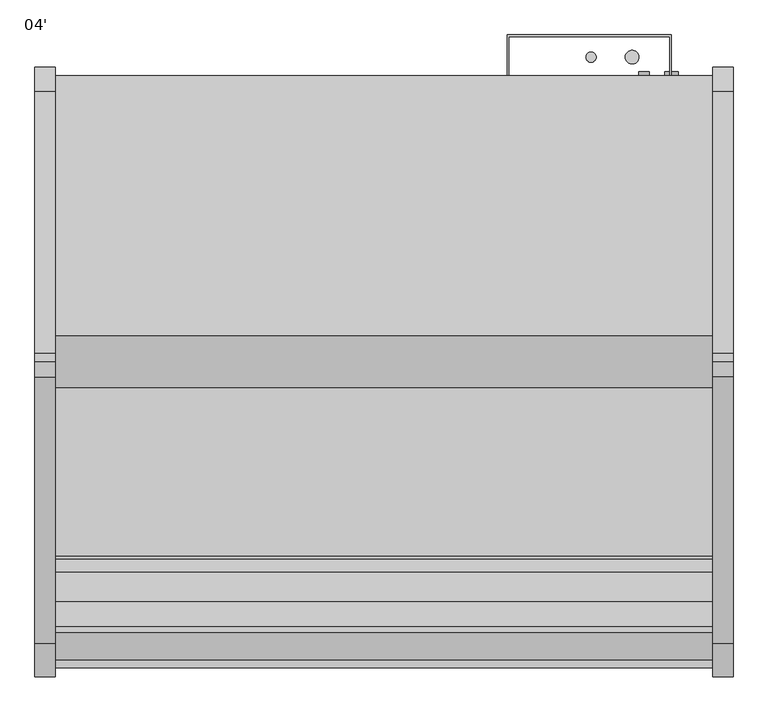
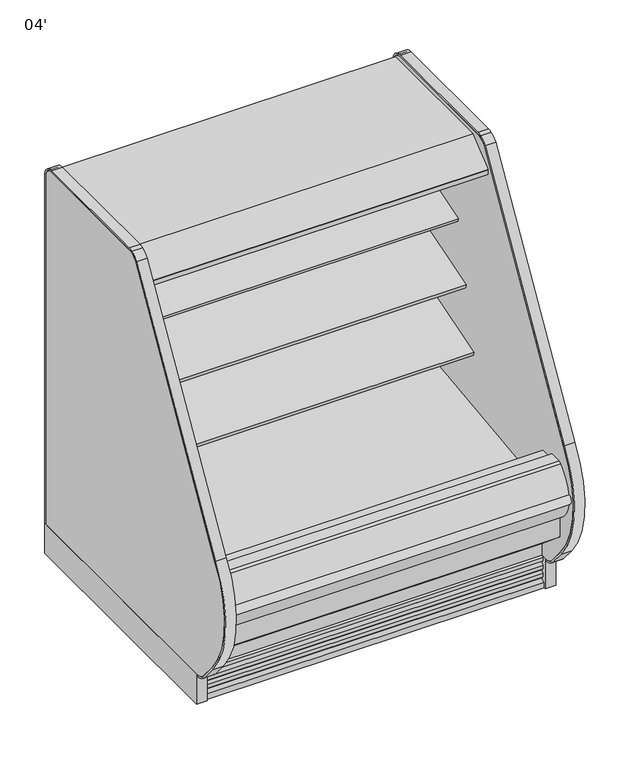
"""IFC4 building model written with IfcOpenShell, lengths in millimetres: proxy geometry, 04'."""

import ifcopenshell
import ifcopenshell.guid

model = None  # the IFC model being written
_history = None  # IfcOwnerHistory: only IFC2X3 demands one
_inside = {}  # id of a spatial element -> (the spatial element, [elements in it])
_under = {}  # id of a project, library or spatial element -> (it, [spatial elements below it])
_declared = {}  # id of a project -> (the project, [libraries it declares])
_typed = {}  # id of a type object -> (the type object, [elements of that type])
_made_of = {}  # id of a material, layer set ... -> (it, [elements and type objects made of it])


def new_model(schema):
    """Start an empty IFC model of exactly this schema.

    Asked for "IFC4X3", IfcOpenShell would pick the latest addendum, in which some entities
    have other attributes; the version numbers below select the first issue.
    IFC2X3 requires an IfcOwnerHistory on every rooted entity: one is made here for all.
    """
    global model, _history
    if schema == "IFC4X3":
        model = ifcopenshell.file(schema_version=(4, 3, 0, 0))
    else:
        model = ifcopenshell.file(schema=schema)
    _inside.clear()
    _under.clear()
    _declared.clear()
    _typed.clear()
    _made_of.clear()
    _history = None
    if model.schema == "IFC2X3":
        org = make("IfcOrganization", Name="unknown")
        user = make(
            "IfcPersonAndOrganization",
            ThePerson=make("IfcPerson", FamilyName="unknown"),
            TheOrganization=org,
        )
        app = make(
            "IfcApplication",
            ApplicationDeveloper=org,
            Version="unknown",
            ApplicationFullName="unknown",
            ApplicationIdentifier="unknown",
        )
        _history = make(
            "IfcOwnerHistory",
            OwningUser=user,
            OwningApplication=app,
            ChangeAction="ADDED",
            CreationDate=0,
        )
    return model


def make(cls, **values):
    """One entity of the class cls with the attributes given. An attribute that is None is left unset."""
    return model.create_entity(
        cls, **{name: value for name, value in values.items() if value is not None}
    )


def rooted(cls, **values):
    """An entity with a GlobalId (a new one), such as an element, a storey or a relation."""
    return make(cls, GlobalId=ifcopenshell.guid.new(), OwnerHistory=_history, **values)


def si_unit(unit_type, name, prefix=None):
    """IfcSIUnit, for example si_unit("LENGTHUNIT", "METRE", prefix="MILLI")."""
    return make("IfcSIUnit", UnitType=unit_type, Prefix=prefix, Name=name)


def assignment(units):
    """IfcUnitAssignment: the units of a project."""
    return None if units is None else make("IfcUnitAssignment", Units=units)


def point(xyz):
    """IfcCartesianPoint."""
    return None if xyz is None else make("IfcCartesianPoint", Coordinates=xyz)


def direction(xyz):
    """IfcDirection."""
    return None if xyz is None else make("IfcDirection", DirectionRatios=xyz)


def frame(location, z_axis=None, x_axis=None):
    """IfcAxis2Placement3D, a coordinate frame: its origin and axes. An axis left out is left unset."""
    return make(
        "IfcAxis2Placement3D",
        Location=point(location),
        Axis=direction(z_axis),
        RefDirection=direction(x_axis),
    )


def frame_2d(location, x_axis=None):
    """IfcAxis2Placement2D, a coordinate frame in the plane: its origin and x axis."""
    return make(
        "IfcAxis2Placement2D", Location=point(location), RefDirection=direction(x_axis)
    )


def origin():
    """The frame at (0, 0, 0) with its axes left unset."""
    return frame((0.0, 0.0, 0.0))


def origin_with_axes():
    """The frame at (0, 0, 0) with the z axis (0, 0, 1) and the x axis (1, 0, 0) written out."""
    return frame((0.0, 0.0, 0.0), z_axis=(0.0, 0.0, 1.0), x_axis=(1.0, 0.0, 0.0))


def place(relative_to, where):
    """IfcLocalPlacement: puts the frame where relative to a parent placement (None: the world)."""
    return make(
        "IfcLocalPlacement", PlacementRelTo=relative_to, RelativePlacement=where
    )


def context(
    kind, dimensions, precision=None, world=None, true_north=None, identifier=None
):
    """IfcGeometricRepresentationContext, for example the 3D "Model" context."""
    return make(
        "IfcGeometricRepresentationContext",
        ContextIdentifier=identifier,
        ContextType=kind,
        CoordinateSpaceDimension=dimensions,
        Precision=precision,
        WorldCoordinateSystem=world,
        TrueNorth=true_north,
    )


def project(units=None, contexts=None):
    """IfcProject with its units and contexts."""
    return rooted(
        "IfcProject",
        Name="project",
        RepresentationContexts=contexts,
        UnitsInContext=assignment(units),
    )


def spatial(cls, under=None, at=None, **own):
    """A site, building, storey or space (cls), placed at a placement, below another one or the project."""
    s = rooted(cls, ObjectPlacement=at, **own)
    if under is not None:
        _under.setdefault(under.id(), (under, []))[1].append(s)
    return s


def polyline(points):
    """IfcPolyline through the points."""
    return make("IfcPolyline", Points=[point(p) for p in points])


def circle_curve(where, radius):
    """IfcCircle in the frame where."""
    return make("IfcCircle", Position=where, Radius=radius)


def trimmed(basis, trim1, trim2, sense, master):
    """IfcTrimmedCurve: the piece of a basis curve between two trims."""
    return make(
        "IfcTrimmedCurve",
        BasisCurve=basis,
        Trim1=trim1,
        Trim2=trim2,
        SenseAgreement=sense,
        MasterRepresentation=master,
    )


def segment(curve, same_sense, transition):
    """IfcCompositeCurveSegment."""
    return make(
        "IfcCompositeCurveSegment",
        Transition=transition,
        SameSense=same_sense,
        ParentCurve=curve,
    )


def composite_curve(segments, self_intersect=None):
    """IfcCompositeCurve: segments joined end to end."""
    return make("IfcCompositeCurve", Segments=segments, SelfIntersect=self_intersect)


def outline(outer, holes=None, kind="AREA"):
    """IfcArbitraryClosedProfileDef: a profile drawn as a closed curve; with holes, ...WithVoids."""
    if holes is None:
        return make("IfcArbitraryClosedProfileDef", ProfileType=kind, OuterCurve=outer)
    return make(
        "IfcArbitraryProfileDefWithVoids",
        ProfileType=kind,
        OuterCurve=outer,
        InnerCurves=holes,
    )


def extrude(swept, where, along, depth):
    """IfcExtrudedAreaSolid: the profile swept, set in the frame where, extruded along a direction by depth."""
    return make(
        "IfcExtrudedAreaSolid",
        SweptArea=swept,
        Position=where,
        ExtrudedDirection=direction(along),
        Depth=depth,
    )


def shape(context_of_items, identifier, shape_type, items):
    """IfcShapeRepresentation: the items that make up one representation, for example the "Body"."""
    return make(
        "IfcShapeRepresentation",
        ContextOfItems=context_of_items,
        RepresentationIdentifier=identifier,
        RepresentationType=shape_type,
        Items=items,
    )


def source(mapping_origin, context_of_items, identifier, shape_type, items):
    """IfcRepresentationMap: a shape defined once, which mapped items show again and again."""
    return make(
        "IfcRepresentationMap",
        MappingOrigin=mapping_origin,
        MappedRepresentation=shape(context_of_items, identifier, shape_type, items),
    )


def transform(
    local_origin,
    x_axis=None,
    y_axis=None,
    z_axis=None,
    scale=None,
    scale2=None,
    scale3=None,
    uniform=True,
):
    """IfcCartesianTransformationOperator3D, or its non-uniform kind. x_axis, y_axis, z_axis: its Axis1, 2, 3."""
    if uniform:
        return make(
            "IfcCartesianTransformationOperator3D",
            Axis1=direction(x_axis),
            Axis2=direction(y_axis),
            LocalOrigin=point(local_origin),
            Scale=scale,
            Axis3=direction(z_axis),
        )
    return make(
        "IfcCartesianTransformationOperator3DnonUniform",
        Axis1=direction(x_axis),
        Axis2=direction(y_axis),
        LocalOrigin=point(local_origin),
        Scale=scale,
        Axis3=direction(z_axis),
        Scale2=scale2,
        Scale3=scale3,
    )


def mapped(mapping_source, mapping_target):
    """IfcMappedItem: shows the shape of a source again, moved by a transform."""
    return make(
        "IfcMappedItem", MappingSource=mapping_source, MappingTarget=mapping_target
    )


def made_of(thing, what):
    """Note that an element or type object is made of a material, layer set ...; save() writes the relation."""
    if what is not None:
        _made_of.setdefault(what.id(), (what, []))[1].append(thing)
    return thing


def element(
    cls,
    number,
    at=None,
    inside=None,
    cuts=None,
    type_object=None,
    material=None,
    context=None,
    identifier="Body",
    shape_type=None,
    held_by="IfcProductDefinitionShape",
    body=None,
    shapes=None,
    **own,
):
    """One element of the class cls, such as IfcWall. Its Tag is "e" and its number.

    at: its placement. inside: the storey or other place that contains it. cuts: it is an
    opening in that element (IfcRelVoidsElement). A single representation is given by context,
    identifier, shape_type and body (its items); several are given by shapes. held_by: the class
    of the entity that holds the representations. save() writes the other relations.
    """
    e = rooted(cls, Tag="e%d" % number, ObjectPlacement=at, **own)
    if body is not None:
        shapes = [shape(context, identifier, shape_type, body)]
    if shapes is not None:
        e.Representation = make(held_by, Representations=shapes)
    if inside is not None:
        _inside.setdefault(inside.id(), (inside, []))[1].append(e)
    if cuts is not None:
        rooted(
            "IfcRelVoidsElement", RelatingBuildingElement=cuts, RelatedOpeningElement=e
        )
    if type_object is not None:
        _typed.setdefault(type_object.id(), (type_object, []))[1].append(e)
    return made_of(e, material)


def aggregate(whole, parts):
    """IfcRelAggregates: a whole, such as a stair, and the parts it consists of."""
    return rooted("IfcRelAggregates", RelatingObject=whole, RelatedObjects=parts)


def save(model, path):
    """Write the relations noted so far, then the file.

    IfcRelAggregates (storeys below a building ...), IfcRelContainedInSpatialStructure (elements
    in a storey), IfcRelDefinesByType, IfcRelAssociatesMaterial and IfcRelDeclares: one each for
    every whole, place, type object, material and project.
    """
    for whole, parts in _under.values():
        aggregate(whole, parts)
    for where, things in _inside.values():
        rooted(
            "IfcRelContainedInSpatialStructure",
            RelatedElements=things,
            RelatingStructure=where,
        )
    for kind, things in _typed.values():
        rooted("IfcRelDefinesByType", RelatedObjects=things, RelatingType=kind)
    for what, things in _made_of.values():
        rooted("IfcRelAssociatesMaterial", RelatedObjects=things, RelatingMaterial=what)
    for by, libraries in _declared.values():
        rooted("IfcRelDeclares", RelatingContext=by, RelatedDefinitions=libraries)
    model.write(path)


def plane_surface(at):
    """IfcPlane: the flat surface through the origin of the frame at, square to its z axis."""
    return make("IfcPlane", Position=at)


def cylinder_surface(at, radius):
    """IfcCylindricalSurface: all points at the distance radius from the z axis of the frame at."""
    return make("IfcCylindricalSurface", Position=at, Radius=radius)


def revolved_surface(curve, axis_point, axis_direction):
    """IfcSurfaceOfRevolution: the curve turned about the line through axis_point along axis_direction."""
    return make(
        "IfcSurfaceOfRevolution",
        SweptCurve=make("IfcArbitraryOpenProfileDef", ProfileType="CURVE", Curve=curve),
        AxisPosition=make("IfcAxis1Placement", Location=point(axis_point), Axis=direction(axis_direction)),
    )


def advanced_brep(points, edges, surfaces, faces):
    """IfcAdvancedBrep: a solid bounded by faces that lie on surfaces and meet in shared edges.

    An edge is (start, end): straight between two places in points (the first is 0);
    or (start, end, curve); or (start, end, curve, False) where it runs against its curve.
    A face is (place in surfaces, loops), or (place, loops, False) where it looks against
    its surface's normal. A loop lists edges by number (the first is 1), with a minus sign
    where the edge is run from its end to its start. The first loop is the outer one.
    """
    corners = [point(p) for p in points]
    vertices = [make("IfcVertexPoint", VertexGeometry=c) for c in corners]
    made = []
    for start, end, *more in edges:
        made.append(
            make(
                "IfcEdgeCurve",
                EdgeStart=vertices[start],
                EdgeEnd=vertices[end],
                EdgeGeometry=more[0] if more else make("IfcPolyline", Points=[corners[start], corners[end]]),
                SameSense=more[1] if len(more) > 1 else True,
            )
        )
    hull = []
    for where, loops, *sense in faces:
        bounds = []
        for j, loop in enumerate(loops):
            ring = [make("IfcOrientedEdge", EdgeElement=made[abs(k) - 1], Orientation=k > 0) for k in loop]
            bounds.append(
                make(
                    "IfcFaceOuterBound" if j == 0 else "IfcFaceBound",
                    Bound=make("IfcEdgeLoop", EdgeList=ring),
                    Orientation=True,
                )
            )
        hull.append(make("IfcAdvancedFace", Bounds=bounds, FaceSurface=surfaces[where], SameSense=sense[0] if sense else True))
    return make("IfcAdvancedBrep", Outer=make("IfcClosedShell", CfsFaces=hull))


def proxy_04_cbc6609a(model_context):
    return source(origin(), model_context, "Body", "SolidModel", [
        extrude(outline(composite_curve([segment(polyline([(-514.4888601, 1379.0768001), (-504.7813461, 1382.0750951), (-504.5146416, 1381.2115916), (-503.4474703, 1381.2115916), (-503.4474703, 1287.4472598), (-528.7426845, 1283.8944637)]), True, "CONTINUOUS"), segment(trimmed(circle_curve(frame_2d((-528.8825674, 1285.4681389)), 1.57988), [point((-528.7426845, 1283.8944637))], [point((-530.4470722, 1285.2482621))], False, "CARTESIAN"), True, "CONTINUOUS"), segment(polyline([(-530.4470722, 1285.2482621), (-531.3318818, 1291.5440101), (-530.5471142, 1291.654302), (-529.5527196, 1284.5788169), (-505.9719612, 1287.8928764), (-520.0679999, 1388.1914034), (-542.8285813, 1385.1690478)]), True, "CONTINUOUS"), segment(trimmed(circle_curve(frame_2d((-542.7249331, 1384.3884994)), 0.7874), [point((-542.8285813, 1385.1690478))], [point((-543.5054815, 1384.2848511))], True, "CARTESIAN"), True, "CONTINUOUS"), segment(polyline([(-543.5054815, 1384.2848511), (-542.4823725, 1376.580081), (-543.2629211, 1376.4764348), (-544.2860298, 1384.1812028)]), True, "CONTINUOUS"), segment(trimmed(circle_curve(frame_2d((-542.7249331, 1384.3884994)), 1.5748), [point((-544.2860298, 1384.1812028))], [point((-542.9322296, 1385.9495962))], False, "CARTESIAN"), True, "CONTINUOUS"), segment(polyline([(-542.9322296, 1385.9495962), (-518.9678184, 1389.1318072)]), True, "CONTINUOUS"), segment(trimmed(circle_curve(frame_2d((-518.7605219, 1387.5707104)), 1.5748), [point((-518.9678184, 1389.1318072))], [point((-517.2558572, 1388.0354462))], False, "CARTESIAN"), True, "CONTINUOUS"), segment(polyline([(-517.2558572, 1388.0354462), (-514.4888601, 1379.0768001)]), True, "CONTINUOUS")], self_intersect=False)), frame((0.0, 0.0, 0.0), z_axis=(1.0, 0.0, 0.0), x_axis=(0.0, 1.0, 0.0)), (0.0, 0.0, 1.0), 1219.2),
        extrude(outline(polyline([(-401.512379, 1460.3537164), (-401.512379, 1413.9257811), (-452.2793831, 1413.9257811), (-452.2793831, 1381.2115916), (-768.0396416, 1381.2115916), (-770.1188906, 1387.9435306), (-774.9133368, 1386.4627021), (-798.9833769, 1415.1482588), (-905.7516947, 1415.1482588), (-906.5898947, 1414.3100588), (-906.5898947, 1403.1848588), (-907.1479843, 1402.0060488), (-951.7858272, 1365.4300488), (-952.7517376, 1365.0848588), (-964.2483607, 1365.0848588), (-964.2483607, 1363.1530833), (-980.1487607, 1363.1530833), (-980.1487607, 1381.4220333), (-979.5555992, 1382.6656223), (-883.6187928, 1460.3537164), (-401.512379, 1460.3537164)])), frame((0.0, 0.0, 0.0), z_axis=(1.0, 0.0, 0.0), x_axis=(0.0, 1.0, 0.0)), (0.0, 0.0, 1.0), 1219.2),
        extrude(outline(composite_curve([segment(polyline([(-505.9719612, 1287.8928764), (-529.5527196, 1284.5788169), (-530.5471142, 1291.654302), (-542.4775484, 1376.5437523), (-543.5054815, 1384.2848511)]), True, "CONTINUOUS"), segment(trimmed(circle_curve(frame_2d((-542.7249331, 1384.3884994)), 0.7874), [point((-543.5054815, 1384.2848511))], [point((-542.8285813, 1385.1690478))], False, "CARTESIAN"), True, "CONTINUOUS"), segment(polyline([(-542.8285813, 1385.1690478), (-520.0679999, 1388.1914034), (-505.9719612, 1287.8928764)]), True, "CONTINUOUS")], self_intersect=False)), frame((0.0, 0.0, 0.0), z_axis=(1.0, 0.0, 0.0), x_axis=(0.0, 1.0, 0.0)), (0.0, 0.0, 1.0), 1219.2),
        extrude(outline(composite_curve([segment(trimmed(circle_curve(frame_2d((-850.5320947, 1392.4692338)), 14.2875), [point((-864.8195947, 1392.4692338))], [point((-836.2445947, 1392.4692338))], False, "CARTESIAN"), True, "CONTINUOUS"), segment(trimmed(circle_curve(frame_2d((-850.5320947, 1392.4692338)), 14.2875), [point((-836.2445947, 1392.4692338))], [point((-864.8195947, 1392.4692338))], False, "CARTESIAN"), True, "CONTINUOUS")], self_intersect=False)), frame((0.0, 0.0, 0.0), z_axis=(1.0, 0.0, 0.0), x_axis=(0.0, 1.0, 0.0)), (0.0, 0.0, 1.0), 1219.2),
        extrude(outline(composite_curve([segment(trimmed(circle_curve(frame_2d((-887.9208947, 1392.4692338)), 14.2875), [point((-902.2083947, 1392.4692338))], [point((-873.6333947, 1392.4692338))], False, "CARTESIAN"), True, "CONTINUOUS"), segment(trimmed(circle_curve(frame_2d((-887.9208947, 1392.4692338)), 14.2875), [point((-873.6333947, 1392.4692338))], [point((-902.2083947, 1392.4692338))], False, "CARTESIAN"), True, "CONTINUOUS")], self_intersect=False)), frame((0.0, 0.0, 0.0), z_axis=(1.0, 0.0, 0.0), x_axis=(0.0, 1.0, 0.0)), (0.0, 0.0, 1.0), 1219.2),
        extrude(outline(composite_curve([segment(trimmed(circle_curve(frame_2d((974.3400636, -979.3589273)), 9.525), [point((964.8150636, -979.3589273))], [point((983.8650636, -979.3589273))], False, "CARTESIAN"), True, "CONTINUOUS"), segment(trimmed(circle_curve(frame_2d((974.3400636, -979.3589273)), 9.525), [point((983.8650636, -979.3589273))], [point((964.8150636, -979.3589273))], False, "CARTESIAN"), True, "CONTINUOUS")], self_intersect=False)), frame((0.0, 0.0, 68.5310382), z_axis=(0.0, 0.0, 1.0), x_axis=(1.0, 0.0, 0.0)), (0.0, 0.0, 1.0), 52.7807458),
        extrude(outline(composite_curve([segment(trimmed(circle_curve(frame_2d((1017.8110784, -979.3589273)), 12.7), [point((1005.1110784, -979.3589273))], [point((1030.5110784, -979.3589273))], False, "CARTESIAN"), True, "CONTINUOUS"), segment(trimmed(circle_curve(frame_2d((1017.8110784, -979.3589273)), 12.7), [point((1030.5110784, -979.3589273))], [point((1005.1110784, -979.3589273))], False, "CARTESIAN"), True, "CONTINUOUS")], self_intersect=False)), frame((0.0, 0.0, 68.5310382), z_axis=(0.0, 0.0, 1.0), x_axis=(1.0, 0.0, 0.0)), (0.0, 0.0, 1.0), 52.7807458),
        extrude(outline(polyline([(0.0, -385.6339273), (0.0, -1335.5812273), (-38.1, -1335.5812273), (-38.1, -385.6339273), (0.0, -385.6339273)])), origin_with_axes(), (0.0, 0.0, 1.0), 114.3),
        extrude(outline(composite_curve([segment(polyline([(-1335.5812273, 114.3), (-1335.5812273, 107.95)]), True, "CONTINUOUS"), segment(trimmed(circle_curve(frame_2d((-1335.5812273, 171.45)), 63.5), [point((-1335.5812273, 107.95))], [point((-1384.2250494, 130.6329868))], False, "CARTESIAN"), True, "CONTINUOUS"), segment(polyline([(-1384.2250494, 130.6329868), (-1436.0410491, 192.3848905)]), True, "CONTINUOUS"), segment(trimmed(circle_curve(frame_2d((-1168.5000273, 416.8784632)), 349.25), [point((-1436.0410491, 192.3848905))], [point((-1454.3903468, 617.483268))], False, "CARTESIAN"), True, "CONTINUOUS"), segment(polyline([(-1454.3903468, 617.483268), (-961.507737, 1459.5627752)]), True, "CONTINUOUS"), segment(trimmed(circle_curve(frame_2d((-906.0843188, 1414.5072746)), 71.4265596), [point((-961.507737, 1459.5627752))], [point((-931.3618944, 1481.3114481))], False, "CARTESIAN"), True, "CONTINUOUS"), segment(trimmed(circle_curve(frame_2d((-915.631216, 1439.73804)), 44.45), [point((-931.3618944, 1481.3114481))], [point((-915.631216, 1484.18804))], False, "CARTESIAN"), True, "CONTINUOUS"), segment(polyline([(-915.631216, 1484.18804), (-430.0839273, 1484.18804)]), True, "CONTINUOUS"), segment(trimmed(circle_curve(frame_2d((-430.0839273, 1439.73804)), 44.45), [point((-430.0839273, 1484.18804))], [point((-385.6339273, 1439.73804))], False, "CARTESIAN"), True, "CONTINUOUS"), segment(polyline([(-385.6339273, 1439.73804), (-385.6339273, 114.3), (-391.9839273, 114.3), (-391.9839273, 1439.73804)]), True, "CONTINUOUS"), segment(trimmed(circle_curve(frame_2d((-430.0839273, 1439.73804)), 38.1), [point((-391.9839273, 1439.73804))], [point((-430.0839273, 1477.83804))], True, "CARTESIAN"), True, "CONTINUOUS"), segment(polyline([(-430.0839273, 1477.83804), (-915.631216, 1477.83804)]), True, "CONTINUOUS"), segment(trimmed(circle_curve(frame_2d((-915.631216, 1439.73804)), 38.1), [point((-915.631216, 1477.83804))], [point((-929.1146546, 1475.3723898))], True, "CARTESIAN"), True, "CONTINUOUS"), segment(trimmed(circle_curve(frame_2d((-906.0843188, 1414.5072746)), 65.0765596), [point((-929.1146546, 1475.3723898))], [point((-954.4987451, 1457.9929266))], True, "CARTESIAN"), True, "CONTINUOUS"), segment(polyline([(-954.4987451, 1457.9929266), (-1449.192341, 613.8359079)]), True, "CONTINUOUS"), segment(trimmed(circle_curve(frame_2d((-1168.5000273, 416.8784632)), 342.9), [point((-1449.192341, 613.8359079))], [point((-1431.1766668, 196.4665918))], True, "CARTESIAN"), True, "CONTINUOUS"), segment(polyline([(-1431.1766668, 196.4665918), (-1379.3606672, 134.7146881)]), True, "CONTINUOUS"), segment(trimmed(circle_curve(frame_2d((-1335.5812273, 171.45)), 57.15), [point((-1379.3606672, 134.7146881))], [point((-1335.5812273, 114.3))], True, "CARTESIAN"), True, "CONTINUOUS")], self_intersect=False)), frame((-38.1, 0.0, 0.0), z_axis=(1.0, 0.0, 0.0), x_axis=(0.0, 1.0, 0.0)), (0.0, 0.0, 1.0), 38.1),
        extrude(outline(composite_curve([segment(trimmed(circle_curve(frame_2d((-1335.5812273, 171.45)), 57.15), [point((-1335.5812273, 114.3))], [point((-1379.3606672, 134.7146881))], False, "CARTESIAN"), True, "CONTINUOUS"), segment(polyline([(-1379.3606672, 134.7146881), (-1431.1766668, 196.4665918)]), True, "CONTINUOUS"), segment(trimmed(circle_curve(frame_2d((-1168.5000273, 416.8784632)), 342.9), [point((-1431.1766668, 196.4665918))], [point((-1449.192341, 613.8359079))], False, "CARTESIAN"), True, "CONTINUOUS"), segment(polyline([(-1449.192341, 613.8359079), (-954.4987451, 1457.9929266)]), True, "CONTINUOUS"), segment(trimmed(circle_curve(frame_2d((-906.0843188, 1414.5072746)), 65.0765596), [point((-954.4987451, 1457.9929266))], [point((-929.1146546, 1475.3723898))], False, "CARTESIAN"), True, "CONTINUOUS"), segment(trimmed(circle_curve(frame_2d((-915.631216, 1439.73804)), 38.1), [point((-929.1146546, 1475.3723898))], [point((-915.631216, 1477.83804))], False, "CARTESIAN"), True, "CONTINUOUS"), segment(polyline([(-915.631216, 1477.83804), (-430.0839273, 1477.83804)]), True, "CONTINUOUS"), segment(trimmed(circle_curve(frame_2d((-430.0839273, 1439.73804)), 38.1), [point((-430.0839273, 1477.83804))], [point((-391.9839273, 1439.73804))], False, "CARTESIAN"), True, "CONTINUOUS"), segment(polyline([(-391.9839273, 1439.73804), (-391.9839273, 114.3), (-1335.5812273, 114.3)]), True, "CONTINUOUS")], self_intersect=False)), frame((-38.1, 0.0, 0.0), z_axis=(1.0, 0.0, 0.0), x_axis=(0.0, 1.0, 0.0)), (0.0, 0.0, 1.0), 38.1),
        advanced_brep(
        [(1219.2, -503.4770145, 962.9449857), (1219.2, -843.5389858, 858.9776075), (1219.2, -839.3802906, 845.3751286), (1219.2, -785.6094334, 861.8145294), (1219.2, -783.1797893, 858.9595892), (1219.2, -595.4632769, 891.5703852), (1219.2, -560.8291108, 887.8925043), (1219.2, -539.533713, 879.2978657), (1219.2, -522.1893768, 878.6915182), (1219.2, -503.4770145, 884.7372079), (0.0, -503.4770145, 962.9449857), (0.0, -503.4770145, 884.7372079), (0.0, -522.1820399, 878.668903), (0.0, -539.533713, 879.2978657), (0.0, -560.8291108, 887.8925043), (0.0, -595.4632769, 891.5703852), (0.0, -783.1797893, 858.9595892), (0.0, -785.6094334, 861.8145294), (0.0, -839.3802906, 845.3751286), (0.0, -843.5389858, 858.9776075)],
        [
            (0, 1),
            (1, 2),
            (2, 3),
            (3, 4),
            (4, 5),
            (5, 6, circle_curve(frame((1219.2, -584.5946142, 829.0074396), z_axis=(-1.0, 0.0, 0.0), x_axis=(0.0, 1.0, 0.0)), 63.5)),
            (6, 7),
            (7, 8, circle_curve(frame((1219.2, -530.0275116, 902.8518916), z_axis=(1.0, 0.0, 0.0), x_axis=(0.0, 1.0, 0.0)), 25.4)),
            (8, 9),
            (9, 0),
            (10, 11),
            (11, 12),
            (12, 13, circle_curve(frame((0.0, -530.0275116, 902.8518916), z_axis=(-1.0, 0.0, 0.0), x_axis=(0.0, 1.0, 0.0)), 25.4)),
            (13, 14),
            (14, 15, circle_curve(frame((0.0, -584.5946142, 829.0074396), z_axis=(1.0, 0.0, 0.0), x_axis=(0.0, 1.0, 0.0)), 63.5)),
            (15, 16),
            (16, 17),
            (17, 18),
            (18, 19),
            (19, 10),
            (0, 10),
            (19, 1),
            (2, 18),
            (17, 3),
            (8, 12),
            (11, 9),
            (16, 4),
            (15, 5),
            (14, 6),
            (13, 7),
        ],
        [
            plane_surface(frame((1219.2, -503.4770145, 962.9449857), z_axis=(1.0, 0.0, 0.0), x_axis=(0.0, -0.9563047559631226, -0.2923717047224518))),
            plane_surface(frame((0.0, -503.4770145, 962.9449857), z_axis=(-1.0, 0.0, 0.0), x_axis=(0.0, 0.9563047559631226, 0.2923717047224518))),
            plane_surface(frame((1219.2, -503.4770145, 962.9449857), z_axis=(0.0, -0.2923717047224518, 0.9563047559631226), x_axis=(-1.0, 0.0, 0.0))),
            plane_surface(frame((1219.2, -839.3802906, 845.3751286), z_axis=(0.0, 0.2923717047224529, -0.9563047559631223), x_axis=(-1.0, 0.0, 0.0))),
            plane_surface(frame((1219.2, -522.1820399, 878.668903), z_axis=(0.0, 0.3085879853198186, -0.9511958028272914), x_axis=(-1.0, 0.0, 0.0))),
            plane_surface(frame((1219.2, -503.4770145, 884.7372079), z_axis=(0.0, 1.0, 0.0), x_axis=(-1.0, 0.0, 0.0))),
            plane_surface(frame((1219.2, -843.5389858, 858.9776075), z_axis=(0.0, -0.9563047559631227, -0.29237170472245155), x_axis=(-1.0, 0.0, 0.0))),
            plane_surface(frame((1219.2, -785.6094334, 861.8145294), z_axis=(0.0, -0.761551533788134, -0.648104359949029), x_axis=(-1.0, 0.0, 0.0))),
            plane_surface(frame((1219.2, -783.1797893, 858.9595892), z_axis=(0.0, 0.17116004276831903, -0.9852432388804032), x_axis=(-1.0, 0.0, 0.0))),
            revolved_surface(polyline([(0.0, -521.0946142, 829.0074396), (1219.2, -521.0946142, 829.0074396)]), (0.0, -584.5946142, 829.0074396), (-1.0, 0.0, 0.0)),
            plane_surface(frame((1219.2, -560.8291108, 887.8925043), z_axis=(0.0, -0.374259895190447, -0.9273238543529632), x_axis=(-1.0, 0.0, 0.0))),
            cylinder_surface(frame((0.0, -530.0275116, 902.8518916), z_axis=(1.0, 0.0, 0.0), x_axis=(0.0, 1.0, 0.0)), 25.4),
        ],
        [
            (0, [[1, 2, 3, 4, 5, 6, 7, 8, 9, 10]]),
            (1, [[11, 12, 13, 14, 15, 16, 17, 18, 19, 20]]),
            (2, [[-1, 21, -20, 22]]),
            (3, [[-3, 23, -18, 24]]),
            (4, [[-9, 25, -12, 26]]),
            (5, [[-10, -26, -11, -21]]),
            (6, [[-2, -22, -19, -23]]),
            (7, [[-4, -24, -17, 27]]),
            (8, [[-5, -27, -16, 28]]),
            (9, [[-6, -28, -15, 29]]),
            (10, [[-7, -29, -14, 30]]),
            (11, [[-8, -30, -13, -25]]),
        ],
    ),
        extrude(outline(polyline([(1257.3, -385.6339273), (1257.3, -1335.5812273), (1219.2, -1335.5812273), (1219.2, -385.6339273), (1257.3, -385.6339273)])), origin_with_axes(), (0.0, 0.0, 1.0), 114.3),
        extrude(outline(composite_curve([segment(polyline([(-1335.5812273, 114.3), (-1335.5812273, 107.95)]), True, "CONTINUOUS"), segment(trimmed(circle_curve(frame_2d((-1335.5812273, 171.45)), 63.5), [point((-1335.5812273, 107.95))], [point((-1384.2250494, 130.6329868))], False, "CARTESIAN"), True, "CONTINUOUS"), segment(polyline([(-1384.2250494, 130.6329868), (-1436.0410491, 192.3848905)]), True, "CONTINUOUS"), segment(trimmed(circle_curve(frame_2d((-1168.5000273, 416.8784632)), 349.25), [point((-1436.0410491, 192.3848905))], [point((-1454.3903468, 617.483268))], False, "CARTESIAN"), True, "CONTINUOUS"), segment(polyline([(-1454.3903468, 617.483268), (-960.8948402, 1460.306403)]), True, "CONTINUOUS"), segment(trimmed(circle_curve(frame_2d((-906.0843188, 1414.5072746)), 71.4265596), [point((-960.8948402, 1460.306403))], [point((-931.3618944, 1481.3114481))], False, "CARTESIAN"), True, "CONTINUOUS"), segment(trimmed(circle_curve(frame_2d((-915.631216, 1439.73804)), 44.45), [point((-931.3618944, 1481.3114481))], [point((-915.631216, 1484.18804))], False, "CARTESIAN"), True, "CONTINUOUS"), segment(polyline([(-915.631216, 1484.18804), (-430.0839273, 1484.18804)]), True, "CONTINUOUS"), segment(trimmed(circle_curve(frame_2d((-430.0839273, 1439.73804)), 44.45), [point((-430.0839273, 1484.18804))], [point((-385.6339273, 1439.73804))], False, "CARTESIAN"), True, "CONTINUOUS"), segment(polyline([(-385.6339273, 1439.73804), (-385.6339273, 114.3), (-391.9839273, 114.3), (-391.9839273, 1439.73804)]), True, "CONTINUOUS"), segment(trimmed(circle_curve(frame_2d((-430.0839273, 1439.73804)), 38.1), [point((-391.9839273, 1439.73804))], [point((-430.0839273, 1477.83804))], True, "CARTESIAN"), True, "CONTINUOUS"), segment(polyline([(-430.0839273, 1477.83804), (-915.631216, 1477.83804)]), True, "CONTINUOUS"), segment(trimmed(circle_curve(frame_2d((-915.631216, 1439.73804)), 38.1), [point((-915.631216, 1477.83804))], [point((-929.1146546, 1475.3723898))], True, "CARTESIAN"), True, "CONTINUOUS"), segment(trimmed(circle_curve(frame_2d((-906.0843188, 1414.5072746)), 65.0765596), [point((-929.1146546, 1475.3723898))], [point((-954.4987451, 1457.9929266))], True, "CARTESIAN"), True, "CONTINUOUS"), segment(polyline([(-954.4987451, 1457.9929266), (-1449.192341, 613.8359079)]), True, "CONTINUOUS"), segment(trimmed(circle_curve(frame_2d((-1168.5000273, 416.8784632)), 342.9), [point((-1449.192341, 613.8359079))], [point((-1431.1766668, 196.4665918))], True, "CARTESIAN"), True, "CONTINUOUS"), segment(polyline([(-1431.1766668, 196.4665918), (-1379.3606672, 134.7146881)]), True, "CONTINUOUS"), segment(trimmed(circle_curve(frame_2d((-1335.5812273, 171.45)), 57.15), [point((-1379.3606672, 134.7146881))], [point((-1335.5812273, 114.3))], True, "CARTESIAN"), True, "CONTINUOUS")], self_intersect=False)), frame((1219.2, 0.0, 0.0), z_axis=(1.0, 0.0, 0.0), x_axis=(0.0, 1.0, 0.0)), (0.0, 0.0, 1.0), 38.1),
        extrude(outline(composite_curve([segment(trimmed(circle_curve(frame_2d((-1335.5812273, 171.45)), 57.15), [point((-1335.5812273, 114.3))], [point((-1379.3606672, 134.7146881))], False, "CARTESIAN"), True, "CONTINUOUS"), segment(polyline([(-1379.3606672, 134.7146881), (-1431.1766668, 196.4665918)]), True, "CONTINUOUS"), segment(trimmed(circle_curve(frame_2d((-1168.5000273, 416.8784632)), 342.9), [point((-1431.1766668, 196.4665918))], [point((-1449.192341, 613.8359079))], False, "CARTESIAN"), True, "CONTINUOUS"), segment(polyline([(-1449.192341, 613.8359079), (-954.4987451, 1457.9929266)]), True, "CONTINUOUS"), segment(trimmed(circle_curve(frame_2d((-906.0843188, 1414.5072746)), 65.0765596), [point((-954.4987451, 1457.9929266))], [point((-929.1146546, 1475.3723898))], False, "CARTESIAN"), True, "CONTINUOUS"), segment(trimmed(circle_curve(frame_2d((-915.631216, 1439.73804)), 38.1), [point((-929.1146546, 1475.3723898))], [point((-915.631216, 1477.83804))], False, "CARTESIAN"), True, "CONTINUOUS"), segment(polyline([(-915.631216, 1477.83804), (-430.0839273, 1477.83804)]), True, "CONTINUOUS"), segment(trimmed(circle_curve(frame_2d((-430.0839273, 1439.73804)), 38.1), [point((-430.0839273, 1477.83804))], [point((-391.9839273, 1439.73804))], False, "CARTESIAN"), True, "CONTINUOUS"), segment(polyline([(-391.9839273, 1439.73804), (-391.9839273, 114.3), (-1335.5812273, 114.3)]), True, "CONTINUOUS")], self_intersect=False)), frame((1219.2, 0.0, 0.0), z_axis=(1.0, 0.0, 0.0), x_axis=(0.0, 1.0, 0.0)), (0.0, 0.0, 1.0), 38.1),
        extrude(outline(composite_curve([segment(polyline([(-503.4770145, 1171.6412699), (-503.4770145, 1093.4334921), (-520.8520366, 1087.7966684)]), True, "CONTINUOUS"), segment(trimmed(circle_curve(frame_2d((-528.6901714, 1111.9570418)), 25.4), [point((-520.8520366, 1087.7966684))], [point((-538.1963728, 1088.4030158))], False, "CARTESIAN"), True, "CONTINUOUS"), segment(polyline([(-538.1963728, 1088.4030158), (-559.4917707, 1096.9976544)]), True, "CONTINUOUS"), segment(trimmed(circle_curve(frame_2d((-583.257274, 1038.1125897)), 63.5), [point((-559.4917707, 1096.9976544))], [point((-594.1259367, 1100.6755354))], True, "CARTESIAN"), True, "CONTINUOUS"), segment(polyline([(-594.1259367, 1100.6755354), (-731.8940366, 1083.3355015), (-734.3236807, 1086.1904418), (-790.800009, 1068.9238954), (-794.9587042, 1082.5263743), (-503.4770145, 1171.6412699)]), True, "CONTINUOUS")], self_intersect=False)), frame((0.0, 0.0, 0.0), z_axis=(1.0, 0.0, 0.0), x_axis=(0.0, 1.0, 0.0)), (0.0, 0.0, 1.0), 1219.2),
        extrude(outline(composite_curve([segment(polyline([(-503.4770145, 671.8796647), (-522.1893768, 665.8089796)]), True, "CONTINUOUS"), segment(trimmed(circle_curve(frame_2d((-530.0275116, 689.969353)), 25.4), [point((-522.1893768, 665.8089796))], [point((-539.533713, 666.4153271))], False, "CARTESIAN"), True, "CONTINUOUS"), segment(polyline([(-539.533713, 666.4153271), (-560.8291108, 675.0099657)]), True, "CONTINUOUS"), segment(trimmed(circle_curve(frame_2d((-584.5946142, 616.1249009)), 63.5), [point((-560.8291108, 675.0099657))], [point((-595.4632769, 678.6878466))], True, "CARTESIAN"), True, "CONTINUOUS"), segment(polyline([(-595.4632769, 678.6878466), (-783.1797893, 646.0770506), (-785.6094334, 648.9319908), (-887.9605722, 617.6401074), (-892.1192674, 631.2425862), (-503.4770145, 750.062447), (-503.4770145, 671.8796647)]), True, "CONTINUOUS")], self_intersect=False)), frame((0.0, 0.0, 0.0), z_axis=(1.0, 0.0, 0.0), x_axis=(0.0, 1.0, 0.0)), (0.0, 0.0, 1.0), 1219.2),
        extrude(outline(composite_curve([segment(trimmed(circle_curve(frame_2d((-1361.5699211, 436.6703424)), 127.0351724), [point((-1488.6036317, 437.2797696))], [point((-1486.6937497, 414.7166966))], True, "CARTESIAN"), True, "CONTINUOUS"), segment(trimmed(circle_curve(frame_2d((-1482.3543869, 431.8734576)), 17.69702), [point((-1486.6937497, 414.7166966))], [point((-1485.9120457, 449.209189))], False, "CARTESIAN"), True, "CONTINUOUS"), segment(trimmed(circle_curve(frame_2d((-1313.9651645, 404.1451627)), 177.7540334), [point((-1485.9120457, 449.209189))], [point((-1488.6036317, 437.2797696))], True, "CARTESIAN"), True, "CONTINUOUS")], self_intersect=False)), frame((0.0, 0.0, 0.0), z_axis=(1.0, 0.0, 0.0), x_axis=(0.0, 1.0, 0.0)), (0.0, 0.0, 1.0), 1219.2),
        extrude(outline(composite_curve([segment(polyline([(-1430.5207837, 390.4771975), (-1430.5207837, 349.191578), (-1455.8537478, 349.191578)]), True, "CONTINUOUS"), segment(trimmed(circle_curve(frame_2d((-1360.3674523, 434.1532094)), 127.8127984), [point((-1455.8537478, 349.191578))], [point((-1488.0175216, 440.6007866))], False, "CARTESIAN"), True, "CONTINUOUS"), segment(trimmed(circle_curve(frame_2d((-1312.8856615, 403.1660664)), 179.0880417), [point((-1488.0175216, 440.6007866))], [point((-1434.0757284, 535.020131))], False, "CARTESIAN"), True, "CONTINUOUS"), segment(trimmed(circle_curve(frame_2d((-1421.997786, 522.055071)), 17.7191838), [point((-1434.0757284, 535.020131))], [point((-1422.9245877, 539.75))], False, "CARTESIAN"), True, "CONTINUOUS"), segment(polyline([(-1422.9245877, 539.75), (-1377.3315877, 539.75), (-1377.3315877, 520.4426474), (-1379.5124455, 520.4426474), (-1379.5124455, 390.4771975), (-1430.5207837, 390.4771975)]), True, "CONTINUOUS")], self_intersect=False)), frame((0.0, 0.0, 0.0), z_axis=(1.0, 0.0, 0.0), x_axis=(0.0, 1.0, 0.0)), (0.0, 0.0, 1.0), 1219.2),
        extrude(outline(composite_curve([segment(polyline([(-1305.8908654, 151.2490419), (-1305.8908654, 0.0), (-1329.0357106, 0.0), (-1329.0357106, 19.9045671)]), True, "CONTINUOUS"), segment(trimmed(circle_curve(frame_2d((-1328.499887, 33.5999438)), 13.7058546), [point((-1329.0357106, 19.9045671))], [point((-1315.4179076, 29.51188))], True, "CARTESIAN"), True, "CONTINUOUS"), segment(polyline([(-1315.4179076, 29.51188), (-1311.9288106, 40.67714), (-1322.5660058, 38.5193172), (-1324.5599058, 38.5193172), (-1324.5599058, 51.2193172)]), True, "CONTINUOUS"), segment(trimmed(circle_curve(frame_2d((-1328.9777736, 64.7214645)), 14.2065314), [point((-1324.5599058, 51.2193172))], [point((-1315.4179076, 60.4840631))], True, "CARTESIAN"), True, "CONTINUOUS"), segment(polyline([(-1315.4179076, 60.4840631), (-1311.9288106, 71.6493231), (-1322.5660058, 69.4915004), (-1324.5599058, 69.4915004), (-1324.5599058, 82.1915004)]), True, "CONTINUOUS"), segment(trimmed(circle_curve(frame_2d((-1329.0501489, 95.765064)), 14.2969897), [point((-1324.5599058, 82.1915004))], [point((-1315.4179076, 91.4562462))], True, "CARTESIAN"), True, "CONTINUOUS"), segment(polyline([(-1315.4179076, 91.4562462), (-1311.9288106, 102.4950543), (-1322.5660058, 100.4638704), (-1324.5599058, 100.4638704), (-1324.5599058, 113.1638704)]), True, "CONTINUOUS"), segment(trimmed(circle_curve(frame_2d((-1323.9621412, 124.1285303)), 10.9809422), [point((-1324.5599058, 113.1638704))], [point((-1316.1764071, 116.3849243))], True, "CARTESIAN"), True, "CONTINUOUS"), segment(polyline([(-1316.1764071, 116.3849243), (-1316.1764071, 159.8796362), (-1305.8908654, 151.2490419)]), True, "CONTINUOUS")], self_intersect=False)), frame((0.0, 0.0, 0.0), z_axis=(1.0, 0.0, 0.0), x_axis=(0.0, 1.0, 0.0)), (0.0, 0.0, 1.0), 1219.2),
        extrude(outline(composite_curve([segment(trimmed(circle_curve(frame_2d((993.775, -366.5839273)), 9.525), [point((984.25, -366.5839273))], [point((1003.3, -366.5839273))], False, "CARTESIAN"), True, "CONTINUOUS"), segment(trimmed(circle_curve(frame_2d((993.775, -366.5839273)), 9.525), [point((1003.3, -366.5839273))], [point((984.25, -366.5839273))], False, "CARTESIAN"), True, "CONTINUOUS")], self_intersect=False)), frame((0.0, 0.0, 938.4284214), z_axis=(0.0, 0.0, 1.0), x_axis=(1.0, 0.0, 0.0)), (0.0, 0.0, 1.0), 359.2448082),
        extrude(outline(composite_curve([segment(trimmed(circle_curve(frame_2d((1069.975, -366.5839273)), 12.7), [point((1057.275, -366.5839273))], [point((1082.675, -366.5839273))], False, "CARTESIAN"), True, "CONTINUOUS"), segment(trimmed(circle_curve(frame_2d((1069.975, -366.5839273)), 12.7), [point((1082.675, -366.5839273))], [point((1057.275, -366.5839273))], False, "CARTESIAN"), True, "CONTINUOUS")], self_intersect=False)), frame((0.0, 0.0, 938.4284214), z_axis=(0.0, 0.0, 1.0), x_axis=(1.0, 0.0, 0.0)), (0.0, 0.0, 1.0), 359.2448082),
        extrude(outline(polyline([(1139.825, -401.5089273), (1139.825, -328.4839273), (841.375, -328.4839273), (841.375, -401.5089273), (838.2, -401.5089273), (838.2, -325.3089273), (1143.0, -325.3089273), (1143.0, -401.5089273), (1139.825, -401.5089273)])), frame((0.0, 0.0, 509.3917508), z_axis=(0.0, 0.0, 1.0), x_axis=(1.0, 0.0, 0.0)), (0.0, 0.0, 1.0), 744.968275),
        extrude(outline(composite_curve([segment(trimmed(circle_curve(frame_2d((368.3, 1143.0)), 12.7), [point((368.3, 1155.7))], [point((368.3, 1130.3))], False, "CARTESIAN"), True, "CONTINUOUS"), segment(trimmed(circle_curve(frame_2d((368.3, 1143.0)), 12.7), [point((368.3, 1130.3))], [point((368.3, 1155.7))], False, "CARTESIAN"), True, "CONTINUOUS")], self_intersect=False)), frame((0.0, -446.7209273, 0.0), z_axis=(0.0, 1.0, 0.0), x_axis=(0.0, 0.0, 1.0)), (0.0, 0.0, 1.0), 52.8518438),
        extrude(outline(composite_curve([segment(trimmed(circle_curve(frame_2d((368.3, 1092.2)), 9.525), [point((368.3, 1101.725))], [point((368.3, 1082.675))], False, "CARTESIAN"), True, "CONTINUOUS"), segment(trimmed(circle_curve(frame_2d((368.3, 1092.2)), 9.525), [point((368.3, 1082.675))], [point((368.3, 1101.725))], False, "CARTESIAN"), True, "CONTINUOUS")], self_intersect=False)), frame((0.0, -446.7209273, 0.0), z_axis=(0.0, 1.0, 0.0), x_axis=(0.0, 0.0, 1.0)), (0.0, 0.0, 1.0), 52.8518438),
        extrude(outline(composite_curve([segment(trimmed(circle_curve(frame_2d((914.4, -1125.4089273)), 38.1), [point((876.3, -1125.4089273))], [point((952.5, -1125.4089273))], False, "CARTESIAN"), True, "CONTINUOUS"), segment(trimmed(circle_curve(frame_2d((914.4, -1125.4089273)), 38.1), [point((952.5, -1125.4089273))], [point((876.3, -1125.4089273))], False, "CARTESIAN"), True, "CONTINUOUS")], self_intersect=False)), frame((0.0, 0.0, 68.5310382), z_axis=(0.0, 0.0, 1.0), x_axis=(1.0, 0.0, 0.0)), (0.0, 0.0, 1.0), 52.7807458),
        extrude(outline(polyline([(-1207.4658654, 16.9113003), (-1305.8908654, 16.9113003), (-1305.8908654, 151.2490419), (-1280.7758002, 130.175), (-1207.4658654, 130.175), (-1207.4658654, 16.9113003)])), frame((0.0, 0.0, 0.0), z_axis=(1.0, 0.0, 0.0), x_axis=(0.0, 1.0, 0.0)), (0.0, 0.0, 1.0), 1219.2),
        advanced_brep(
        [(0.0, -401.5089273, 130.175), (0.0, -401.5089273, 0.0), (0.0, -446.7209273, 0.0), (0.0, -446.7209273, 74.8810382), (0.0, -1160.5475206, 74.8810382), (0.0, -1160.5475206, 0.0), (0.0, -1207.4658654, 0.0), (0.0, -1207.4658654, 130.175), (1219.2, -401.5089273, 130.175), (1219.2, -1207.4658654, 130.175), (1219.2, -1207.4658654, 0.0), (1219.2, -1160.5475206, 0.0), (1219.2, -1160.5475206, 74.8810382), (1219.2, -446.7209273, 74.8810382), (1219.2, -446.7209273, 0.0), (1219.2, -401.5089273, 0.0), (877.7132277, -1160.5475206, 0.0), (951.0867723, -1160.5475206, 0.0), (877.7132277, -1160.5475206, 74.8810382), (951.0867723, -1160.5475206, 74.8810382), (965.2, -1125.4089273, 74.8810382), (863.6, -1125.4089273, 74.8810382), (946.15, -981.2870933, 74.8810382), (1047.75, -981.2870933, 74.8810382), (863.6, -1125.4089273, 121.311784), (965.2, -1125.4089273, 121.311784), (946.15, -981.2870933, 121.311784), (1047.75, -981.2870933, 121.311784)],
        [
            (0, 1),
            (1, 2),
            (2, 3),
            (3, 4),
            (4, 5),
            (5, 6),
            (6, 7),
            (7, 0),
            (8, 9),
            (9, 10),
            (10, 11),
            (11, 12),
            (12, 13),
            (13, 14),
            (14, 15),
            (15, 8),
            (7, 9),
            (8, 0),
            (6, 10),
            (5, 16),
            (16, 17, circle_curve(frame((914.4, -1125.4089273, 0.0), z_axis=(0.0, 0.0, 1.0), x_axis=(1.0, 0.0, 0.0)), 50.8)),
            (17, 11),
            (4, 18),
            (18, 16),
            (17, 19),
            (19, 12),
            (3, 13),
            (19, 20, circle_curve(frame((914.4, -1125.4089273, 74.8810382), z_axis=(0.0, 0.0, 1.0), x_axis=(1.0, 0.0, 0.0)), 50.8)),
            (20, 21, circle_curve(frame((914.4, -1125.4089273, 74.8810382), z_axis=(0.0, 0.0, 1.0), x_axis=(1.0, 0.0, 0.0)), 50.8)),
            (21, 18, circle_curve(frame((914.4, -1125.4089273, 74.8810382), z_axis=(0.0, 0.0, 1.0), x_axis=(1.0, 0.0, 0.0)), 50.8)),
            (22, 23, circle_curve(frame((996.95, -981.2870933, 74.8810382), z_axis=(0.0, 0.0, 1.0), x_axis=(1.0, 0.0, 0.0)), 50.8)),
            (23, 22, circle_curve(frame((996.95, -981.2870933, 74.8810382), z_axis=(0.0, 0.0, 1.0), x_axis=(1.0, 0.0, 0.0)), 50.8)),
            (2, 14),
            (1, 15),
            (24, 25, circle_curve(frame((914.4, -1125.4089273, 121.311784), z_axis=(0.0, 0.0, -1.0), x_axis=(1.0, 0.0, 0.0)), 50.8)),
            (25, 24, circle_curve(frame((914.4, -1125.4089273, 121.311784), z_axis=(0.0, 0.0, -1.0), x_axis=(1.0, 0.0, 0.0)), 50.8)),
            (25, 20),
            (21, 24),
            (26, 27, circle_curve(frame((996.95, -981.2870933, 121.311784), z_axis=(0.0, 0.0, -1.0), x_axis=(1.0, 0.0, 0.0)), 50.8)),
            (27, 26, circle_curve(frame((996.95, -981.2870933, 121.311784), z_axis=(0.0, 0.0, -1.0), x_axis=(1.0, 0.0, 0.0)), 50.8)),
            (27, 23),
            (22, 26),
        ],
        [
            plane_surface(frame((0.0, -1205.8783654, 130.175), z_axis=(-1.0, 0.0, 0.0), x_axis=(0.0, 1.0, 0.0))),
            plane_surface(frame((1219.2, -1205.8783654, 130.175), z_axis=(1.0, 0.0, 0.0), x_axis=(0.0, -1.0, 0.0))),
            plane_surface(frame((1219.2, -401.5089273, 130.175), z_axis=(0.0, 0.0, 1.0), x_axis=(-1.0, 0.0, 0.0))),
            plane_surface(frame((1219.2, -1207.4658654, 130.175), z_axis=(0.0, -1.0, 0.0), x_axis=(-1.0, 0.0, 0.0))),
            plane_surface(frame((1219.2, -1207.4658654, 0.0), z_axis=(0.0, 0.0, -1.0), x_axis=(-1.0, 0.0, 0.0))),
            plane_surface(frame((1219.2, -1160.5475206, 0.0), z_axis=(0.0, 1.0, 0.0), x_axis=(-1.0, 0.0, 0.0))),
            plane_surface(frame((1219.2, -1160.5475206, 74.8810382), z_axis=(0.0, 0.0, -1.0), x_axis=(-1.0, 0.0, 0.0))),
            plane_surface(frame((1219.2, -446.7209273, 74.8810382), z_axis=(0.0, -1.0, 0.0), x_axis=(-1.0, 0.0, 0.0))),
            plane_surface(frame((1219.2, -446.7209273, 0.0), z_axis=(0.0, 0.0, -1.0), x_axis=(-1.0, 0.0, 0.0))),
            plane_surface(frame((1219.2, -401.5089273, 0.0), z_axis=(0.0, 1.0, 0.0), x_axis=(-1.0, 0.0, 0.0))),
            plane_surface(frame((965.2, -1125.4089273, 121.311784), z_axis=(0.0, 0.0, -1.0), x_axis=(0.0, 1.0, 0.0))),
            revolved_surface(polyline([(965.1999999999999, -1125.4089273, 121.311784), (965.1999999999999, -1125.4089273, 0.0)]), (914.4, -1125.4089273, 0.0), (0.0, 0.0, 1.0)),
            revolved_surface(polyline([(965.1999999999999, -1125.4089273, 121.311784), (965.1999999999999, -1125.4089273, 74.8810382)]), (914.4, -1125.4089273, 0.0), (0.0, 0.0, 1.0)),
            plane_surface(frame((1047.75, -981.2870933, 121.311784), z_axis=(0.0, 0.0, -1.0), x_axis=(0.0, 1.0, 0.0))),
            revolved_surface(polyline([(1047.75, -981.2870933, 121.311784), (1047.75, -981.2870933, 74.8810382)]), (996.95, -981.2870933, 0.0), (0.0, 0.0, 1.0)),
        ],
        [
            (0, [[1, 2, 3, 4, 5, 6, 7, 8]]),
            (1, [[9, 10, 11, 12, 13, 14, 15, 16]]),
            (2, [[-8, 17, -9, 18]]),
            (3, [[-7, 19, -10, -17]]),
            (4, [[-6, 20, 21, 22, -11, -19]]),
            (5, [[-5, 23, 24, -20]]),
            (5, [[-12, -22, 25, 26]]),
            (6, [[-4, 27, -13, -26, 28, 29, 30, -23], [31, 32]]),
            (7, [[-3, 33, -14, -27]]),
            (8, [[-2, 34, -15, -33]]),
            (9, [[-1, -18, -16, -34]]),
            (10, [[35, 36]]),
            (11, [[-36, 37, -28, -25, -21, -24, -30, 38]]),
            (12, [[-35, -38, -29, -37]]),
            (13, [[39, 40]]),
            (14, [[-40, 41, -31, 42]]),
            (14, [[-39, -42, -32, -41]]),
        ],
    ),
        extrude(outline(polyline([(688.975, -695.7578022), (688.975, -1117.5324221), (180.975, -1117.5324221), (180.975, -695.7578022), (688.975, -695.7578022)])), frame((0.0, 0.0, 68.5310382), z_axis=(0.0, 0.0, 1.0), x_axis=(1.0, 0.0, 0.0)), (0.0, 0.0, 1.0), 6.35),
        extrude(outline(polyline([(1219.2, -452.3089273), (1219.2, -503.4770145), (0.0, -503.4770145), (0.0, -452.3089273), (1219.2, -452.3089273)])), frame((0.0, 0.0, 443.9410329), z_axis=(0.0, 0.0, 1.0), x_axis=(1.0, 0.0, 0.0)), (0.0, 0.0, 1.0), 937.4168424),
        advanced_brep(
        [(0.0, -503.4770145, 415.8429537), (0.0, -452.3089273, 415.8429537), (0.0, -452.3089273, 350.7638053), (0.0, -599.382701, 211.674682), (0.0, -1043.4743285, 195.6902403), (0.0, -1096.5862318, 157.108203), (0.0, -1163.4022387, 157.108203), (0.0, -1221.4788318, 189.3021178), (0.0, -1379.5124455, 334.3739209), (0.0, -1379.5124455, 520.4426474), (0.0, -1322.6270145, 520.4426474), (0.0, -1322.6270145, 372.3098474), (0.0, -1298.2271496, 372.3098474), (0.0, -1292.7855784, 374.2514867), (0.0, -599.3661067, 457.3237105), (0.0, -599.0019346, 452.1158065), (0.0, -516.37749, 457.8934705), (0.0, -503.4770145, 470.7939459), (1219.2, -503.4770145, 415.8429537), (1219.2, -503.4770145, 470.7939459), (1219.2, -516.37749, 457.8934705), (1219.2, -599.0019346, 452.1158065), (1219.2, -599.3661067, 457.3237105), (1219.2, -1292.7855784, 374.2514867), (1219.2, -1298.2271496, 372.3098474), (1219.2, -1322.6270145, 372.3098474), (1219.2, -1322.6270145, 520.4426474), (1219.2, -1379.5124455, 520.4426474), (1219.2, -1379.5124455, 334.3739209), (1219.2, -1221.4788318, 189.3021178), (1219.2, -1163.4022387, 157.108203), (1219.2, -1096.5862318, 157.108203), (1219.2, -1043.4743285, 195.6902403), (1219.2, -599.382701, 211.674682), (1219.2, -452.3089273, 350.7638053), (1219.2, -452.3089273, 415.8429537)],
        [
            (0, 1),
            (1, 2),
            (2, 3, circle_curve(frame((0.0, -604.8944357, 364.8057873), z_axis=(-1.0, 0.0, 0.0), x_axis=(0.0, 1.0, 0.0)), 153.2302667)),
            (3, 4),
            (4, 5),
            (5, 6),
            (6, 7),
            (7, 8, circle_curve(frame((0.0, -1227.2834533, 341.5915343), z_axis=(-1.0, 0.0, 0.0), x_axis=(0.0, 1.0, 0.0)), 152.4)),
            (8, 9),
            (9, 10),
            (10, 11),
            (11, 12),
            (12, 13),
            (13, 14),
            (14, 15),
            (15, 16),
            (16, 17, circle_curve(frame((0.0, -516.37749, 470.7939459), z_axis=(1.0, 0.0, 0.0), x_axis=(0.0, 1.0, 0.0)), 12.9004754)),
            (17, 0),
            (18, 19),
            (19, 20, circle_curve(frame((1219.2, -516.37749, 470.7939459), z_axis=(-1.0, 0.0, 0.0), x_axis=(0.0, 1.0, 0.0)), 12.9004754)),
            (20, 21),
            (21, 22),
            (22, 23),
            (23, 24),
            (24, 25),
            (25, 26),
            (26, 27),
            (27, 28),
            (28, 29, circle_curve(frame((1219.2, -1227.2834533, 341.5915343), z_axis=(1.0, 0.0, 0.0), x_axis=(0.0, 1.0, 0.0)), 152.4)),
            (29, 30),
            (30, 31),
            (31, 32),
            (32, 33),
            (33, 34, circle_curve(frame((1219.2, -604.8944357, 364.8057873), z_axis=(1.0, 0.0, 0.0), x_axis=(0.0, 1.0, 0.0)), 153.2302667)),
            (34, 35),
            (35, 18),
            (34, 2),
            (1, 35),
            (0, 18),
            (17, 19),
            (16, 20),
            (15, 21),
            (14, 22),
            (29, 7),
            (6, 30),
            (5, 31),
            (4, 32),
            (3, 33),
            (13, 23),
            (12, 24),
            (11, 25),
            (10, 26),
            (9, 27),
            (8, 28),
        ],
        [
            plane_surface(frame((0.0, -503.4770145, 1092.9956953), z_axis=(-1.0, 0.0, 0.0), x_axis=(0.0, 0.0, -1.0))),
            plane_surface(frame((1219.2, -503.4770145, 1092.9956953), z_axis=(1.0, 0.0, 0.0), x_axis=(0.0, 0.0, 1.0))),
            plane_surface(frame((1219.2, -452.3089273, 350.7638053), z_axis=(0.0, 1.0, 0.0), x_axis=(-1.0, 0.0, 0.0))),
            plane_surface(frame((1219.2, -452.3089273, 415.8429537), z_axis=(0.0, 0.0, 1.0), x_axis=(-1.0, 0.0, 0.0))),
            plane_surface(frame((1219.2, -503.4770145, 415.8429537), z_axis=(0.0, 1.0, 0.0), x_axis=(-1.0, 0.0, 0.0))),
            revolved_surface(polyline([(0.0, -503.47701459999996, 470.7939459), (1219.2, -503.47701459999996, 470.7939459)]), (0.0, -516.37749, 470.7939459), (-1.0, 0.0, 0.0)),
            plane_surface(frame((1219.2, -516.37749, 457.8934705), z_axis=(0.0, -0.06975647369772905, 0.9975640502630686), x_axis=(-1.0, 0.0, 0.0))),
            plane_surface(frame((1219.2, -599.0019346, 452.1158065), z_axis=(0.0, 0.9975640502630934, 0.06975647369737496), x_axis=(-1.0, 0.0, 0.0))),
            plane_surface(frame((1219.2, -1221.4788318, 189.3021178), z_axis=(0.0, -0.48482728759135, -0.8746099137368696), x_axis=(-1.0, 0.0, 0.0))),
            plane_surface(frame((1219.2, -1163.4022387, 157.108203), z_axis=(0.0, 0.0, -1.0), x_axis=(-1.0, 0.0, 0.0))),
            plane_surface(frame((1219.2, -1096.5862318, 157.108203), z_axis=(0.0, 0.5877252382161428, -0.8090605937528897), x_axis=(-1.0, 0.0, 0.0))),
            plane_surface(frame((1219.2, -1043.4743285, 195.6902403), z_axis=(0.0, 0.03597027415217256, -0.9993528602938092), x_axis=(-1.0, 0.0, 0.0))),
            cylinder_surface(frame((0.0, -604.8944357, 364.8057873), z_axis=(1.0, 0.0, 0.0), x_axis=(0.0, 1.0, 0.0)), 153.2302667),
            plane_surface(frame((1219.2, -599.3661067, 457.3237105), z_axis=(0.0, -0.11895026338575308, 0.9929002139391753), x_axis=(-1.0, 0.0, 0.0))),
            plane_surface(frame((1219.2, -1292.7855784, 374.2514867), z_axis=(0.0, -0.33606330765123693, 0.9418393988629432), x_axis=(-1.0, 0.0, 0.0))),
            plane_surface(frame((1219.2, -1298.2271496, 372.3098474), z_axis=(0.0, 0.0, 1.0), x_axis=(-1.0, 0.0, 0.0))),
            plane_surface(frame((1219.2, -1322.6270145, 372.3098474), z_axis=(0.0, 1.0, 0.0), x_axis=(-1.0, 0.0, 0.0))),
            plane_surface(frame((1219.2, -1322.6270145, 520.4426474), z_axis=(0.0, 0.0, 1.0), x_axis=(-1.0, 0.0, 0.0))),
            plane_surface(frame((1219.2, -1379.5124455, 520.4426474), z_axis=(0.0, -1.0, 0.0), x_axis=(-1.0, 0.0, 0.0))),
            cylinder_surface(frame((0.0, -1227.2834533, 341.5915343), z_axis=(1.0, 0.0, 0.0), x_axis=(0.0, 1.0, 0.0)), 152.4),
        ],
        [
            (0, [[1, 2, 3, 4, 5, 6, 7, 8, 9, 10, 11, 12, 13, 14, 15, 16, 17, 18]]),
            (1, [[19, 20, 21, 22, 23, 24, 25, 26, 27, 28, 29, 30, 31, 32, 33, 34, 35, 36]]),
            (2, [[-35, 37, -2, 38]]),
            (3, [[-36, -38, -1, 39]]),
            (4, [[-19, -39, -18, 40]]),
            (5, [[-20, -40, -17, 41]]),
            (6, [[-21, -41, -16, 42]]),
            (7, [[-22, -42, -15, 43]]),
            (8, [[-30, 44, -7, 45]]),
            (9, [[-31, -45, -6, 46]]),
            (10, [[-32, -46, -5, 47]]),
            (11, [[-33, -47, -4, 48]]),
            (12, [[-34, -48, -3, -37]]),
            (13, [[-23, -43, -14, 49]]),
            (14, [[-24, -49, -13, 50]]),
            (15, [[-25, -50, -12, 51]]),
            (16, [[-26, -51, -11, 52]]),
            (17, [[-27, -52, -10, 53]]),
            (18, [[-28, -53, -9, 54]]),
            (19, [[-29, -54, -8, -44]]),
        ],
    ),
        extrude(outline(composite_curve([segment(polyline([(-401.5089273, 1414.0720648), (-401.5089273, 130.175), (-1280.7758002, 130.175), (-1430.5207837, 255.8259604), (-1430.5207837, 390.4771975), (-1379.5124455, 390.4771975), (-1379.5124455, 334.3739209)]), True, "CONTINUOUS"), segment(trimmed(circle_curve(frame_2d((-1227.2834533, 341.5915343)), 152.4), [point((-1379.5124455, 334.3739209))], [point((-1221.964683, 189.2843753))], True, "CARTESIAN"), True, "CONTINUOUS"), segment(polyline([(-1221.964683, 189.2843753), (-1163.9200968, 157.108203), (-1097.1040899, 157.108203), (-1043.9921866, 195.6902403), (-599.382701, 211.674682)]), True, "CONTINUOUS"), segment(trimmed(circle_curve(frame_2d((-604.8944357, 364.8057873)), 153.2302667), [point((-599.382701, 211.674682))], [point((-452.3089273, 350.7638053))], True, "CARTESIAN"), True, "CONTINUOUS"), segment(polyline([(-452.3089273, 350.7638053), (-452.3089273, 1414.0720648), (-401.5089273, 1414.0720648)]), True, "CONTINUOUS")], self_intersect=False)), frame((0.0, 0.0, 0.0), z_axis=(1.0, 0.0, 0.0), x_axis=(0.0, 1.0, 0.0)), (0.0, 0.0, 1.0), 1219.2),
    ])


if __name__ == "__main__":
    model = new_model("IFC4")
    model_context = context("Model", 3, world=origin())
    ifc_project = project(units=[si_unit("LENGTHUNIT", "METRE", prefix="MILLI")], contexts=[model_context])
    site = spatial("IfcSite", under=ifc_project)
    building = spatial("IfcBuilding", under=site)
    placement = place(None, origin())
    proxy_04_shape = proxy_04_cbc6609a(model_context)
    element("IfcBuildingElementProxy", 1, Name="04'", ObjectType="04'", at=placement, inside=building, context=model_context, shape_type="MappedRepresentation", body=[
        mapped(proxy_04_shape, transform((0.0, 0.0, 0.0), x_axis=(1.0, 0.0, 0.0), y_axis=(0.0, 1.0, 0.0), z_axis=(0.0, 0.0, 1.0))),
    ])
    save(model, "model.ifc")
